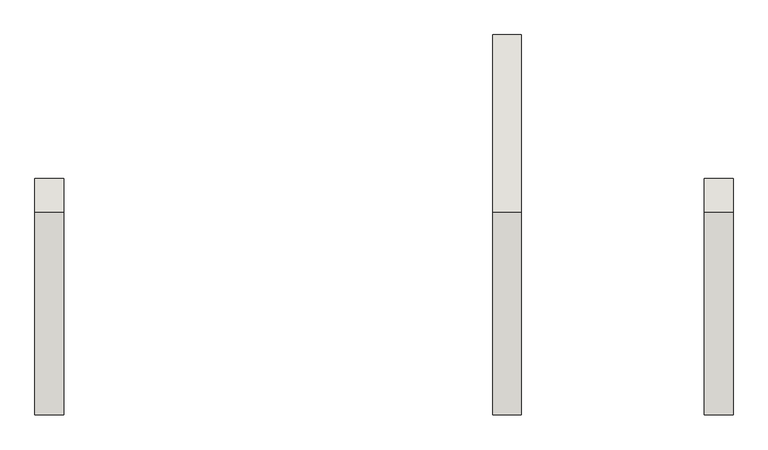
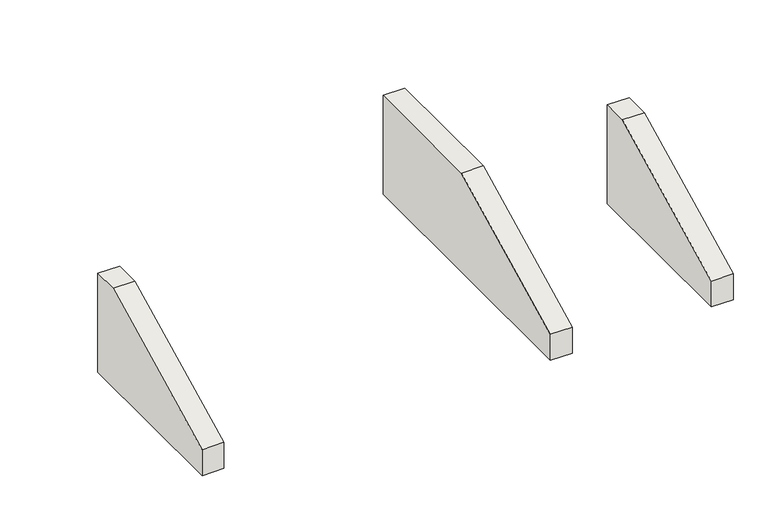
"""IFC4 building model written with IfcOpenShell, lengths in millimetres: wall geometry."""

from ifc_helpers import new_model, si_unit, frame, origin, place, context, project, spatial, polyline, outline, extrude, source, transform, mapped, element, save


def wall_1174c469(model_context):
    return source(origin(), model_context, "Body", "SweptSolid", [
        extrude(outline(polyline([(-12510.7022443, -1200.0), (-15835.7022443, -1200.0), (-15835.7022443, -885.0), (-14065.7022443, 0.0), (-12510.7022443, 0.0), (-12510.7022443, -1200.0)])), frame((-9250.0, 0.0, 0.0), z_axis=(1.0, 0.0, 0.0), x_axis=(0.0, 1.0, 0.0)), (0.0, 0.0, 1.0), 250.0),
        extrude(outline(polyline([(-13765.7022443, -1200.0), (-15835.7022443, -1200.0), (-15835.7022443, -885.0), (-14065.7022443, 0.0), (-13765.7022443, 0.0), (-13765.7022443, -1200.0)])), frame((-7400.0, 0.0, 0.0), z_axis=(1.0, 0.0, 0.0), x_axis=(0.0, 1.0, 0.0)), (0.0, 0.0, 1.0), 250.0),
        extrude(outline(polyline([(-13765.7022443, -1200.0), (-15835.7022443, -1200.0), (-15835.7022443, -885.0), (-14065.7022443, 0.0), (-13765.7022443, 0.0), (-13765.7022443, -1200.0)])), frame((-13250.0, 0.0, 0.0), z_axis=(1.0, 0.0, 0.0), x_axis=(0.0, 1.0, 0.0)), (0.0, 0.0, 1.0), 250.0),
    ])


if __name__ == "__main__":
    model = new_model("IFC4")
    model_context = context("Model", 3, world=origin())
    ifc_project = project(units=[si_unit("LENGTHUNIT", "METRE", prefix="MILLI")], contexts=[model_context])
    site = spatial("IfcSite", under=ifc_project)
    building = spatial("IfcBuilding", under=site)
    placement = place(None, origin())
    wall_shape = wall_1174c469(model_context)
    element("IfcWall", 1, at=placement, inside=building, context=model_context, shape_type="MappedRepresentation", body=[
        mapped(wall_shape, transform((0.0, 0.0, 0.0), x_axis=(1.0, 0.0, 0.0), y_axis=(0.0, 1.0, 0.0), z_axis=(0.0, 0.0, 1.0))),
    ])
    save(model, "model.ifc")
